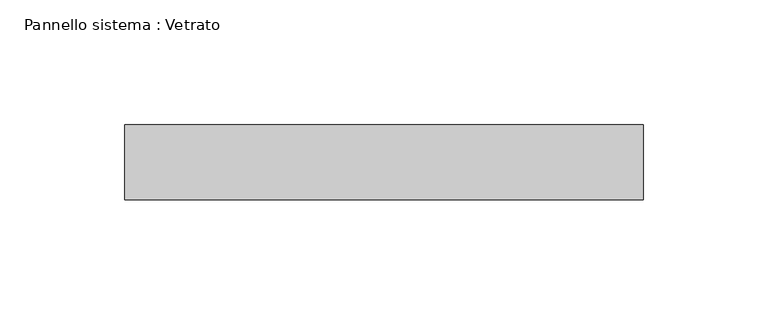
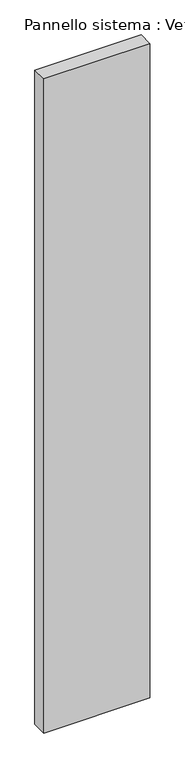
"""IFC4 building model written with IfcOpenShell, lengths in millimetres: plate geometry, Pannello sistema : Vetrato."""

from ifc_helpers import new_model, si_unit, origin, origin_with_axes, place, context, project, spatial, polyline, outline, extrude, source, transform, mapped, element, save


def pannello_sistema_vetrato_f8164e24(model_context):
    return source(origin(), model_context, "Body", "SweptSolid", [
        extrude(outline(polyline([(103.6268239, -15.0), (-103.6268239, -15.0), (-103.6268239, 15.0), (103.6268239, 15.0), (103.6268239, -15.0)])), origin_with_axes(), (0.0, 0.0, 1.0), 1350.0),
    ])


if __name__ == "__main__":
    model = new_model("IFC4")
    model_context = context("Model", 3, world=origin())
    ifc_project = project(units=[si_unit("LENGTHUNIT", "METRE", prefix="MILLI")], contexts=[model_context])
    site = spatial("IfcSite", under=ifc_project)
    building = spatial("IfcBuilding", under=site)
    placement = place(None, origin())
    pannello_sistema_vetrato_shape = pannello_sistema_vetrato_f8164e24(model_context)
    element("IfcPlate", 1, ObjectType="Pannello sistema : Vetrato", at=placement, inside=building, context=model_context, shape_type="MappedRepresentation", body=[
        mapped(pannello_sistema_vetrato_shape, transform((0.0, 0.0, 0.0), x_axis=(1.0, 0.0, 0.0), y_axis=(0.0, 1.0, 0.0), z_axis=(0.0, 0.0, 1.0))),
    ])
    save(model, "model.ifc")
